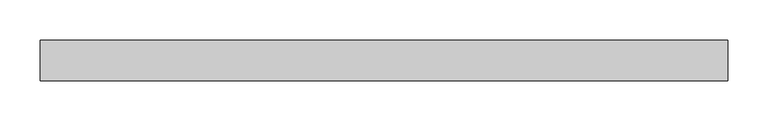
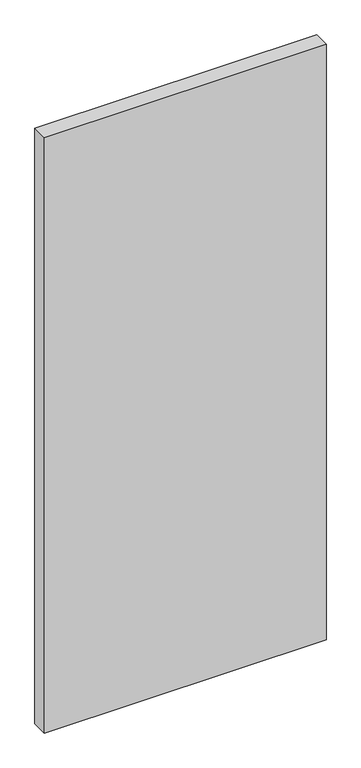
"""IFC4 building model written with IfcOpenShell, lengths in millimetres: plate geometry."""

import ifcopenshell
import ifcopenshell.guid

model = None  # the IFC model being written
_history = None  # IfcOwnerHistory: only IFC2X3 demands one
_inside = {}  # id of a spatial element -> (the spatial element, [elements in it])
_under = {}  # id of a project, library or spatial element -> (it, [spatial elements below it])
_declared = {}  # id of a project -> (the project, [libraries it declares])
_typed = {}  # id of a type object -> (the type object, [elements of that type])
_made_of = {}  # id of a material, layer set ... -> (it, [elements and type objects made of it])


def new_model(schema):
    """Start an empty IFC model of exactly this schema.

    Asked for "IFC4X3", IfcOpenShell would pick the latest addendum, in which some entities
    have other attributes; the version numbers below select the first issue.
    IFC2X3 requires an IfcOwnerHistory on every rooted entity: one is made here for all.
    """
    global model, _history
    if schema == "IFC4X3":
        model = ifcopenshell.file(schema_version=(4, 3, 0, 0))
    else:
        model = ifcopenshell.file(schema=schema)
    _inside.clear()
    _under.clear()
    _declared.clear()
    _typed.clear()
    _made_of.clear()
    _history = None
    if model.schema == "IFC2X3":
        org = make("IfcOrganization", Name="unknown")
        user = make(
            "IfcPersonAndOrganization",
            ThePerson=make("IfcPerson", FamilyName="unknown"),
            TheOrganization=org,
        )
        app = make(
            "IfcApplication",
            ApplicationDeveloper=org,
            Version="unknown",
            ApplicationFullName="unknown",
            ApplicationIdentifier="unknown",
        )
        _history = make(
            "IfcOwnerHistory",
            OwningUser=user,
            OwningApplication=app,
            ChangeAction="ADDED",
            CreationDate=0,
        )
    return model


def make(cls, **values):
    """One entity of the class cls with the attributes given. An attribute that is None is left unset."""
    return model.create_entity(
        cls, **{name: value for name, value in values.items() if value is not None}
    )


def rooted(cls, **values):
    """An entity with a GlobalId (a new one), such as an element, a storey or a relation."""
    return make(cls, GlobalId=ifcopenshell.guid.new(), OwnerHistory=_history, **values)


def si_unit(unit_type, name, prefix=None):
    """IfcSIUnit, for example si_unit("LENGTHUNIT", "METRE", prefix="MILLI")."""
    return make("IfcSIUnit", UnitType=unit_type, Prefix=prefix, Name=name)


def assignment(units):
    """IfcUnitAssignment: the units of a project."""
    return None if units is None else make("IfcUnitAssignment", Units=units)


def point(xyz):
    """IfcCartesianPoint."""
    return None if xyz is None else make("IfcCartesianPoint", Coordinates=xyz)


def direction(xyz):
    """IfcDirection."""
    return None if xyz is None else make("IfcDirection", DirectionRatios=xyz)


def frame(location, z_axis=None, x_axis=None):
    """IfcAxis2Placement3D, a coordinate frame: its origin and axes. An axis left out is left unset."""
    return make(
        "IfcAxis2Placement3D",
        Location=point(location),
        Axis=direction(z_axis),
        RefDirection=direction(x_axis),
    )


def origin():
    """The frame at (0, 0, 0) with its axes left unset."""
    return frame((0.0, 0.0, 0.0))


def origin_with_axes():
    """The frame at (0, 0, 0) with the z axis (0, 0, 1) and the x axis (1, 0, 0) written out."""
    return frame((0.0, 0.0, 0.0), z_axis=(0.0, 0.0, 1.0), x_axis=(1.0, 0.0, 0.0))


def place(relative_to, where):
    """IfcLocalPlacement: puts the frame where relative to a parent placement (None: the world)."""
    return make(
        "IfcLocalPlacement", PlacementRelTo=relative_to, RelativePlacement=where
    )


def context(
    kind, dimensions, precision=None, world=None, true_north=None, identifier=None
):
    """IfcGeometricRepresentationContext, for example the 3D "Model" context."""
    return make(
        "IfcGeometricRepresentationContext",
        ContextIdentifier=identifier,
        ContextType=kind,
        CoordinateSpaceDimension=dimensions,
        Precision=precision,
        WorldCoordinateSystem=world,
        TrueNorth=true_north,
    )


def project(units=None, contexts=None):
    """IfcProject with its units and contexts."""
    return rooted(
        "IfcProject",
        Name="project",
        RepresentationContexts=contexts,
        UnitsInContext=assignment(units),
    )


def spatial(cls, under=None, at=None, **own):
    """A site, building, storey or space (cls), placed at a placement, below another one or the project."""
    s = rooted(cls, ObjectPlacement=at, **own)
    if under is not None:
        _under.setdefault(under.id(), (under, []))[1].append(s)
    return s


def polyline(points):
    """IfcPolyline through the points."""
    return make("IfcPolyline", Points=[point(p) for p in points])


def outline(outer, holes=None, kind="AREA"):
    """IfcArbitraryClosedProfileDef: a profile drawn as a closed curve; with holes, ...WithVoids."""
    if holes is None:
        return make("IfcArbitraryClosedProfileDef", ProfileType=kind, OuterCurve=outer)
    return make(
        "IfcArbitraryProfileDefWithVoids",
        ProfileType=kind,
        OuterCurve=outer,
        InnerCurves=holes,
    )


def extrude(swept, where, along, depth):
    """IfcExtrudedAreaSolid: the profile swept, set in the frame where, extruded along a direction by depth."""
    return make(
        "IfcExtrudedAreaSolid",
        SweptArea=swept,
        Position=where,
        ExtrudedDirection=direction(along),
        Depth=depth,
    )


def shape(context_of_items, identifier, shape_type, items):
    """IfcShapeRepresentation: the items that make up one representation, for example the "Body"."""
    return make(
        "IfcShapeRepresentation",
        ContextOfItems=context_of_items,
        RepresentationIdentifier=identifier,
        RepresentationType=shape_type,
        Items=items,
    )


def source(mapping_origin, context_of_items, identifier, shape_type, items):
    """IfcRepresentationMap: a shape defined once, which mapped items show again and again."""
    return make(
        "IfcRepresentationMap",
        MappingOrigin=mapping_origin,
        MappedRepresentation=shape(context_of_items, identifier, shape_type, items),
    )


def transform(
    local_origin,
    x_axis=None,
    y_axis=None,
    z_axis=None,
    scale=None,
    scale2=None,
    scale3=None,
    uniform=True,
):
    """IfcCartesianTransformationOperator3D, or its non-uniform kind. x_axis, y_axis, z_axis: its Axis1, 2, 3."""
    if uniform:
        return make(
            "IfcCartesianTransformationOperator3D",
            Axis1=direction(x_axis),
            Axis2=direction(y_axis),
            LocalOrigin=point(local_origin),
            Scale=scale,
            Axis3=direction(z_axis),
        )
    return make(
        "IfcCartesianTransformationOperator3DnonUniform",
        Axis1=direction(x_axis),
        Axis2=direction(y_axis),
        LocalOrigin=point(local_origin),
        Scale=scale,
        Axis3=direction(z_axis),
        Scale2=scale2,
        Scale3=scale3,
    )


def mapped(mapping_source, mapping_target):
    """IfcMappedItem: shows the shape of a source again, moved by a transform."""
    return make(
        "IfcMappedItem", MappingSource=mapping_source, MappingTarget=mapping_target
    )


def made_of(thing, what):
    """Note that an element or type object is made of a material, layer set ...; save() writes the relation."""
    if what is not None:
        _made_of.setdefault(what.id(), (what, []))[1].append(thing)
    return thing


def element(
    cls,
    number,
    at=None,
    inside=None,
    cuts=None,
    type_object=None,
    material=None,
    context=None,
    identifier="Body",
    shape_type=None,
    held_by="IfcProductDefinitionShape",
    body=None,
    shapes=None,
    **own,
):
    """One element of the class cls, such as IfcWall. Its Tag is "e" and its number.

    at: its placement. inside: the storey or other place that contains it. cuts: it is an
    opening in that element (IfcRelVoidsElement). A single representation is given by context,
    identifier, shape_type and body (its items); several are given by shapes. held_by: the class
    of the entity that holds the representations. save() writes the other relations.
    """
    e = rooted(cls, Tag="e%d" % number, ObjectPlacement=at, **own)
    if body is not None:
        shapes = [shape(context, identifier, shape_type, body)]
    if shapes is not None:
        e.Representation = make(held_by, Representations=shapes)
    if inside is not None:
        _inside.setdefault(inside.id(), (inside, []))[1].append(e)
    if cuts is not None:
        rooted(
            "IfcRelVoidsElement", RelatingBuildingElement=cuts, RelatedOpeningElement=e
        )
    if type_object is not None:
        _typed.setdefault(type_object.id(), (type_object, []))[1].append(e)
    return made_of(e, material)


def aggregate(whole, parts):
    """IfcRelAggregates: a whole, such as a stair, and the parts it consists of."""
    return rooted("IfcRelAggregates", RelatingObject=whole, RelatedObjects=parts)


def save(model, path):
    """Write the relations noted so far, then the file.

    IfcRelAggregates (storeys below a building ...), IfcRelContainedInSpatialStructure (elements
    in a storey), IfcRelDefinesByType, IfcRelAssociatesMaterial and IfcRelDeclares: one each for
    every whole, place, type object, material and project.
    """
    for whole, parts in _under.values():
        aggregate(whole, parts)
    for where, things in _inside.values():
        rooted(
            "IfcRelContainedInSpatialStructure",
            RelatedElements=things,
            RelatingStructure=where,
        )
    for kind, things in _typed.values():
        rooted("IfcRelDefinesByType", RelatedObjects=things, RelatingType=kind)
    for what, things in _made_of.values():
        rooted("IfcRelAssociatesMaterial", RelatedObjects=things, RelatingMaterial=what)
    for by, libraries in _declared.values():
        rooted("IfcRelDeclares", RelatingContext=by, RelatedDefinitions=libraries)
    model.write(path)


def plate_109dd5f9(model_context):
    return source(origin(), model_context, "Body", "SweptSolid", [
        extrude(outline(polyline([(425.0, -25.0), (-425.0, -25.0), (-425.0, 25.0), (425.0, 25.0), (425.0, -25.0)])), origin_with_axes(), (0.0, 0.0, 1.0), 1900.0),
    ])


if __name__ == "__main__":
    model = new_model("IFC4")
    model_context = context("Model", 3, world=origin())
    ifc_project = project(units=[si_unit("LENGTHUNIT", "METRE", prefix="MILLI")], contexts=[model_context])
    site = spatial("IfcSite", under=ifc_project)
    building = spatial("IfcBuilding", under=site)
    placement = place(None, origin())
    plate_shape = plate_109dd5f9(model_context)
    element("IfcPlate", 1, at=placement, inside=building, context=model_context, shape_type="MappedRepresentation", body=[
        mapped(plate_shape, transform((0.0, 0.0, 0.0), x_axis=(1.0, 0.0, 0.0), y_axis=(0.0, 1.0, 0.0), z_axis=(0.0, 0.0, 1.0))),
    ])
    save(model, "model.ifc")
